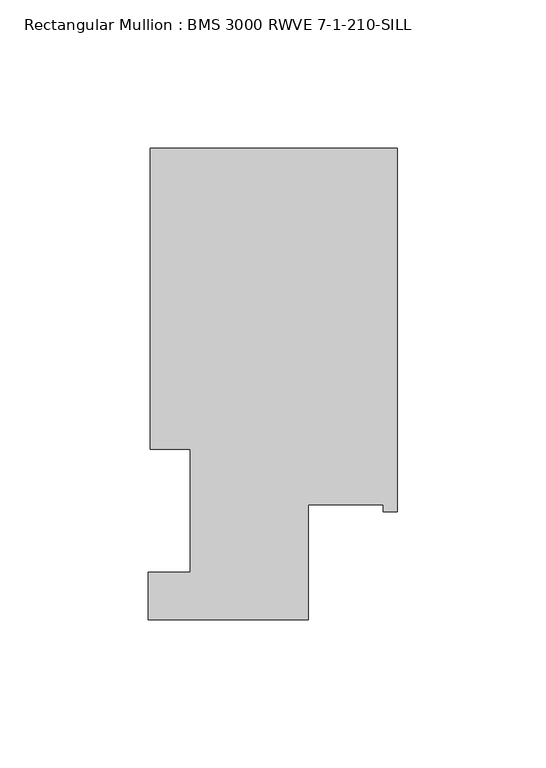
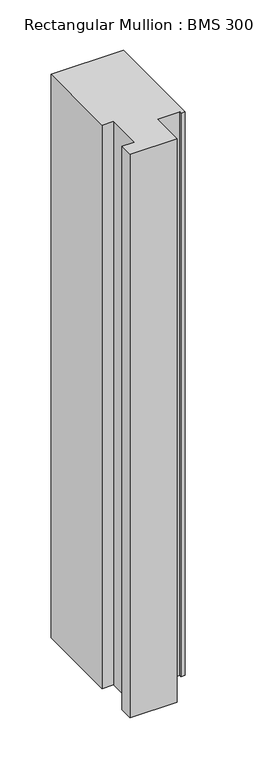
"""IFC4 building model written with IfcOpenShell, lengths in millimetres: member geometry, Rectangular Mullion : BMS 3000 RWVE 7-1-210-SILL."""

from ifc_helpers import new_model, si_unit, frame, origin, place, context, project, spatial, polyline, outline, extrude, source, transform, mapped, element, save


def rectangular_mullion_bms_3000_rwve_7_1_210_sill_acd44071(model_context):
    return source(origin(), model_context, "Body", "SweptSolid", [
        extrude(outline(polyline([(-83.3501, 101.6), (0.0, 101.6), (0.0, -21.1074), (-4.7625, -21.1074), (-4.7625, -18.7198), (-30.1625, -18.7198), (-30.1625, -57.5056), (-84.1375, -57.5056), (-84.1375, -41.6306), (-69.85, -41.6306), (-69.85, 0.0), (-83.3501, 0.0), (-83.3501, 101.6)])), frame((0.0, 0.0, -683.6036813), z_axis=(0.0, 0.0, 1.0), x_axis=(1.0, 0.0, 0.0)), (0.0, 0.0, 1.0), 683.6036813),
    ])


if __name__ == "__main__":
    model = new_model("IFC4")
    model_context = context("Model", 3, world=origin())
    ifc_project = project(units=[si_unit("LENGTHUNIT", "METRE", prefix="MILLI")], contexts=[model_context])
    site = spatial("IfcSite", under=ifc_project)
    building = spatial("IfcBuilding", under=site)
    placement = place(None, origin())
    rectangular_mullion_bms_3000_rwve_7_1_210_sill_shape = rectangular_mullion_bms_3000_rwve_7_1_210_sill_acd44071(model_context)
    element("IfcMember", 1, ObjectType="Rectangular Mullion : BMS 3000 RWVE 7-1-210-SILL", at=placement, inside=building, context=model_context, shape_type="MappedRepresentation", body=[
        mapped(rectangular_mullion_bms_3000_rwve_7_1_210_sill_shape, transform((0.0, 0.0, 0.0), x_axis=(1.0, 0.0, 0.0), y_axis=(0.0, 1.0, 0.0), z_axis=(0.0, 0.0, 1.0))),
    ])
    save(model, "model.ifc")
